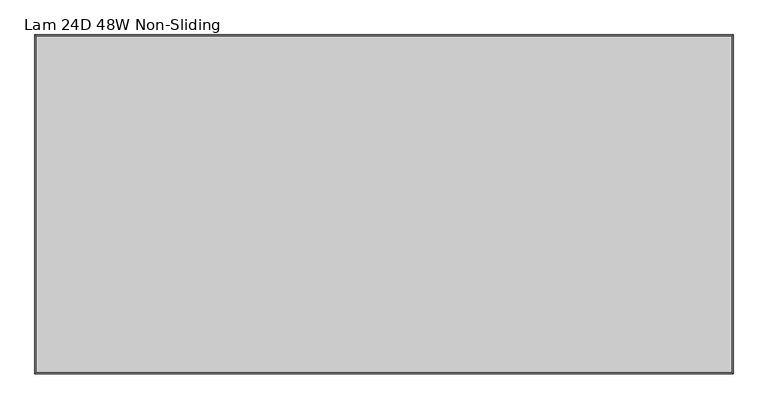
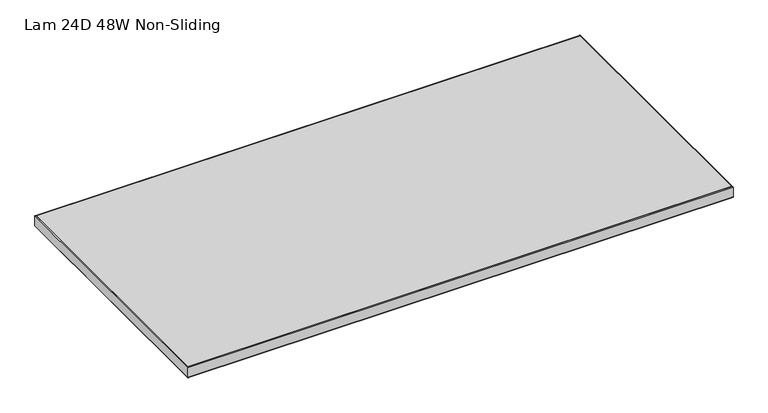
"""IFC4 building model written with IfcOpenShell, lengths in millimetres: furniture geometry, Lam 24D 48W Non-Sliding."""

from ifc_helpers import new_model, si_unit, frame, origin, place, context, project, spatial, polyline, ellipse_curve, outline, extrude, source, transform, mapped, element, save
from ifc_brep_helpers import plane_surface, cylinder_surface, advanced_brep


def lam_24d_48w_non_sliding_3e45a5fa(model_context):
    return source(origin(), model_context, "Body", "SolidModel", [
        advanced_brep(
        [(-610.0, 297.0, 723.9), (-610.0, 297.0, 698.5), (603.0758, 297.0, 698.5), (603.0758, 297.0, 723.9), (603.0758, -289.8388, 698.5), (603.0758, -289.8388, 723.9), (-610.0, -289.8388, 698.5), (-610.0, -289.8388, 723.9), (-611.6002, 298.6002, 700.1002), (-611.6002, 298.6002, 722.2998), (604.676, 298.6002, 722.2998), (604.676, 298.6002, 700.1002), (604.676, -291.439, 722.2998), (604.676, -291.439, 700.1002), (-611.6002, -291.439, 722.2998), (-611.6002, -291.439, 700.1002)],
        [
            (0, 1),
            (1, 2),
            (2, 3),
            (3, 0),
            (2, 4),
            (4, 5),
            (5, 3),
            (4, 6),
            (6, 7),
            (7, 5),
            (6, 1),
            (0, 7),
            (8, 9),
            (9, 10),
            (10, 11),
            (11, 8),
            (10, 12),
            (12, 13),
            (13, 11),
            (12, 14),
            (14, 15),
            (15, 13),
            (14, 9),
            (8, 15),
            (9, 0, ellipse_curve(frame((-610.0, 297.0, 722.2998), z_axis=(0.7071067811865475, 0.7071067811865475, 0.0), x_axis=(-0.7071067811865476, 0.7071067811865474, 0.0)), 2.2630245, 1.6002)),
            (3, 10, ellipse_curve(frame((603.0758, 297.0, 722.2998), z_axis=(-0.7071067811865475, 0.7071067811865475, 0.0), x_axis=(-0.7071067811865476, -0.7071067811865474, 0.0)), 2.2630245, 1.6002)),
            (1, 8, ellipse_curve(frame((-610.0, 297.0, 700.1002), z_axis=(0.7071067811865475, 0.7071067811865475, 0.0), x_axis=(-0.7071067811865476, 0.7071067811865474, 0.0)), 2.2630245, 1.6002)),
            (11, 2, ellipse_curve(frame((603.0758, 297.0, 700.1002), z_axis=(-0.7071067811865475, 0.7071067811865475, 0.0), x_axis=(-0.7071067811865476, -0.7071067811865474, 0.0)), 2.2630245, 1.6002)),
            (5, 12, ellipse_curve(frame((603.0758, -289.8388, 722.2998), z_axis=(0.7071067811865475, 0.7071067811865475, 0.0), x_axis=(-0.7071067811865474, 0.7071067811865476, 0.0)), 2.2630245, 1.6002)),
            (13, 4, ellipse_curve(frame((603.0758, -289.8388, 700.1002), z_axis=(0.7071067811865475, 0.7071067811865475, 0.0), x_axis=(-0.7071067811865474, 0.7071067811865476, 0.0)), 2.2630245, 1.6002)),
            (7, 14, ellipse_curve(frame((-610.0, -289.8388, 722.2998), z_axis=(0.7071067811865475, -0.7071067811865475, 0.0), x_axis=(0.7071067811865476, 0.7071067811865474, 0.0)), 2.2630245, 1.6002)),
            (15, 6, ellipse_curve(frame((-610.0, -289.8388, 700.1002), z_axis=(0.7071067811865475, -0.7071067811865475, 0.0), x_axis=(0.7071067811865476, 0.7071067811865474, 0.0)), 2.2630245, 1.6002)),
        ],
        [
            plane_surface(frame((-610.0, 297.0, 698.5), z_axis=(0.0, -1.0, 0.0), x_axis=(1.0, 0.0, 0.0))),
            plane_surface(frame((603.0758, 297.0, 698.5), z_axis=(-1.0, 0.0, 0.0), x_axis=(0.0, -1.0, 0.0))),
            plane_surface(frame((603.0758, -289.8388, 698.5), z_axis=(0.0, 1.0, 0.0), x_axis=(-1.0, 0.0, 0.0))),
            plane_surface(frame((-610.0, -289.8388, 698.5), z_axis=(1.0, 0.0, 0.0), x_axis=(0.0, 1.0, 0.0))),
            plane_surface(frame((-611.6002, 298.6002, 722.2998), z_axis=(0.0, 1.0, 0.0), x_axis=(1.0, 0.0, 0.0))),
            plane_surface(frame((604.676, 298.6002, 722.2998), z_axis=(1.0, 0.0, 0.0), x_axis=(0.0, -1.0, 0.0))),
            plane_surface(frame((604.676, -291.439, 722.2998), z_axis=(0.0, -1.0, 0.0), x_axis=(-1.0, 0.0, 0.0))),
            plane_surface(frame((-611.6002, -291.439, 722.2998), z_axis=(-1.0, 0.0, 0.0), x_axis=(0.0, 1.0, 0.0))),
            cylinder_surface(frame((-610.0, 297.0, 722.2998), z_axis=(-1.0, 0.0, 0.0), x_axis=(0.0, -1.0, 0.0)), 1.6002),
            cylinder_surface(frame((-610.0, 297.0, 700.1002), z_axis=(-1.0, 0.0, 0.0), x_axis=(0.0, -1.0, 0.0)), 1.6002),
            cylinder_surface(frame((603.0758, 297.0, 722.2998), z_axis=(0.0, 1.0, 0.0), x_axis=(-1.0, 0.0, 0.0)), 1.6002),
            cylinder_surface(frame((603.0758, 297.0, 700.1002), z_axis=(0.0, 1.0, 0.0), x_axis=(-1.0, 0.0, 0.0)), 1.6002),
            cylinder_surface(frame((603.0758, -289.8388, 722.2998), z_axis=(1.0, 0.0, 0.0), x_axis=(0.0, 1.0, 0.0)), 1.6002),
            cylinder_surface(frame((603.0758, -289.8388, 700.1002), z_axis=(1.0, 0.0, 0.0), x_axis=(0.0, 1.0, 0.0)), 1.6002),
            cylinder_surface(frame((-610.0, -289.8388, 722.2998), z_axis=(0.0, -1.0, 0.0), x_axis=(1.0, 0.0, 0.0)), 1.6002),
            cylinder_surface(frame((-610.0, -289.8388, 700.1002), z_axis=(0.0, -1.0, 0.0), x_axis=(1.0, 0.0, 0.0)), 1.6002),
        ],
        [
            (0, [[1, 2, 3, 4]]),
            (1, [[-3, 5, 6, 7]]),
            (2, [[-6, 8, 9, 10]]),
            (3, [[-9, 11, -1, 12]]),
            (4, [[13, 14, 15, 16]]),
            (5, [[-15, 17, 18, 19]]),
            (6, [[-18, 20, 21, 22]]),
            (7, [[-21, 23, -13, 24]]),
            (8, [[25, -4, 26, -14]]),
            (9, [[27, -16, 28, -2]]),
            (10, [[-26, -7, 29, -17]]),
            (11, [[-28, -19, 30, -5]]),
            (12, [[-29, -10, 31, -20]]),
            (13, [[-30, -22, 32, -8]]),
            (14, [[-31, -12, -25, -23]]),
            (15, [[-32, -24, -27, -11]]),
        ],
    ),
        extrude(outline(polyline([(603.0758, 297.0), (603.0758, -289.8388), (-610.0, -289.8388), (-610.0, 297.0), (603.0758, 297.0)])), frame((0.0, 0.0, 698.5), z_axis=(0.0, 0.0, 1.0), x_axis=(1.0, 0.0, 0.0)), (0.0, 0.0, 1.0), 25.4),
    ])


if __name__ == "__main__":
    model = new_model("IFC4")
    model_context = context("Model", 3, world=origin())
    ifc_project = project(units=[si_unit("LENGTHUNIT", "METRE", prefix="MILLI")], contexts=[model_context])
    site = spatial("IfcSite", under=ifc_project)
    building = spatial("IfcBuilding", under=site)
    placement = place(None, origin())
    lam_24d_48w_non_sliding_shape = lam_24d_48w_non_sliding_3e45a5fa(model_context)
    element("IfcFurniture", 1, ObjectType="Lam 24D 48W Non-Sliding", at=placement, inside=building, context=model_context, shape_type="MappedRepresentation", body=[
        mapped(lam_24d_48w_non_sliding_shape, transform((0.0, 0.0, 0.0), x_axis=(1.0, 0.0, 0.0), y_axis=(0.0, 1.0, 0.0), z_axis=(0.0, 0.0, 1.0))),
    ])
    save(model, "model.ifc")
